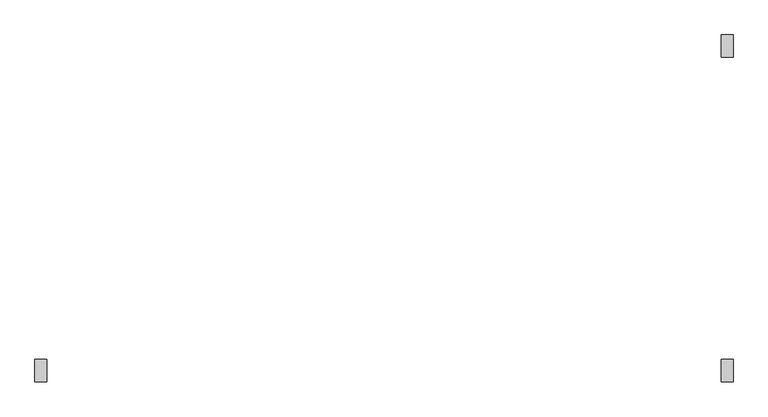
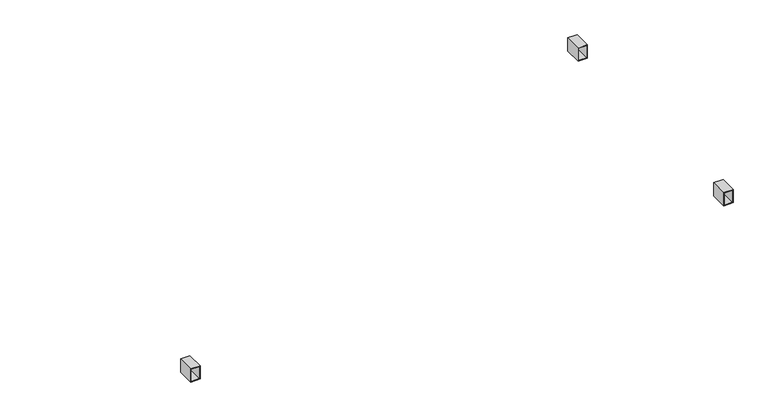
"""IFC4 building model written with IfcOpenShell, lengths in millimetres: beam geometry."""

import ifcopenshell
import ifcopenshell.guid

model = None  # the IFC model being written
_history = None  # IfcOwnerHistory: only IFC2X3 demands one
_inside = {}  # id of a spatial element -> (the spatial element, [elements in it])
_under = {}  # id of a project, library or spatial element -> (it, [spatial elements below it])
_declared = {}  # id of a project -> (the project, [libraries it declares])
_typed = {}  # id of a type object -> (the type object, [elements of that type])
_made_of = {}  # id of a material, layer set ... -> (it, [elements and type objects made of it])


def new_model(schema):
    """Start an empty IFC model of exactly this schema.

    Asked for "IFC4X3", IfcOpenShell would pick the latest addendum, in which some entities
    have other attributes; the version numbers below select the first issue.
    IFC2X3 requires an IfcOwnerHistory on every rooted entity: one is made here for all.
    """
    global model, _history
    if schema == "IFC4X3":
        model = ifcopenshell.file(schema_version=(4, 3, 0, 0))
    else:
        model = ifcopenshell.file(schema=schema)
    _inside.clear()
    _under.clear()
    _declared.clear()
    _typed.clear()
    _made_of.clear()
    _history = None
    if model.schema == "IFC2X3":
        org = make("IfcOrganization", Name="unknown")
        user = make(
            "IfcPersonAndOrganization",
            ThePerson=make("IfcPerson", FamilyName="unknown"),
            TheOrganization=org,
        )
        app = make(
            "IfcApplication",
            ApplicationDeveloper=org,
            Version="unknown",
            ApplicationFullName="unknown",
            ApplicationIdentifier="unknown",
        )
        _history = make(
            "IfcOwnerHistory",
            OwningUser=user,
            OwningApplication=app,
            ChangeAction="ADDED",
            CreationDate=0,
        )
    return model


def make(cls, **values):
    """One entity of the class cls with the attributes given. An attribute that is None is left unset."""
    return model.create_entity(
        cls, **{name: value for name, value in values.items() if value is not None}
    )


def rooted(cls, **values):
    """An entity with a GlobalId (a new one), such as an element, a storey or a relation."""
    return make(cls, GlobalId=ifcopenshell.guid.new(), OwnerHistory=_history, **values)


def si_unit(unit_type, name, prefix=None):
    """IfcSIUnit, for example si_unit("LENGTHUNIT", "METRE", prefix="MILLI")."""
    return make("IfcSIUnit", UnitType=unit_type, Prefix=prefix, Name=name)


def assignment(units):
    """IfcUnitAssignment: the units of a project."""
    return None if units is None else make("IfcUnitAssignment", Units=units)


def point(xyz):
    """IfcCartesianPoint."""
    return None if xyz is None else make("IfcCartesianPoint", Coordinates=xyz)


def direction(xyz):
    """IfcDirection."""
    return None if xyz is None else make("IfcDirection", DirectionRatios=xyz)


def frame(location, z_axis=None, x_axis=None):
    """IfcAxis2Placement3D, a coordinate frame: its origin and axes. An axis left out is left unset."""
    return make(
        "IfcAxis2Placement3D",
        Location=point(location),
        Axis=direction(z_axis),
        RefDirection=direction(x_axis),
    )


def origin():
    """The frame at (0, 0, 0) with its axes left unset."""
    return frame((0.0, 0.0, 0.0))


def place(relative_to, where):
    """IfcLocalPlacement: puts the frame where relative to a parent placement (None: the world)."""
    return make(
        "IfcLocalPlacement", PlacementRelTo=relative_to, RelativePlacement=where
    )


def context(
    kind, dimensions, precision=None, world=None, true_north=None, identifier=None
):
    """IfcGeometricRepresentationContext, for example the 3D "Model" context."""
    return make(
        "IfcGeometricRepresentationContext",
        ContextIdentifier=identifier,
        ContextType=kind,
        CoordinateSpaceDimension=dimensions,
        Precision=precision,
        WorldCoordinateSystem=world,
        TrueNorth=true_north,
    )


def project(units=None, contexts=None):
    """IfcProject with its units and contexts."""
    return rooted(
        "IfcProject",
        Name="project",
        RepresentationContexts=contexts,
        UnitsInContext=assignment(units),
    )


def spatial(cls, under=None, at=None, **own):
    """A site, building, storey or space (cls), placed at a placement, below another one or the project."""
    s = rooted(cls, ObjectPlacement=at, **own)
    if under is not None:
        _under.setdefault(under.id(), (under, []))[1].append(s)
    return s


def polyline(points):
    """IfcPolyline through the points."""
    return make("IfcPolyline", Points=[point(p) for p in points])


def outline(outer, holes=None, kind="AREA"):
    """IfcArbitraryClosedProfileDef: a profile drawn as a closed curve; with holes, ...WithVoids."""
    if holes is None:
        return make("IfcArbitraryClosedProfileDef", ProfileType=kind, OuterCurve=outer)
    return make(
        "IfcArbitraryProfileDefWithVoids",
        ProfileType=kind,
        OuterCurve=outer,
        InnerCurves=holes,
    )


def extrude(swept, where, along, depth):
    """IfcExtrudedAreaSolid: the profile swept, set in the frame where, extruded along a direction by depth."""
    return make(
        "IfcExtrudedAreaSolid",
        SweptArea=swept,
        Position=where,
        ExtrudedDirection=direction(along),
        Depth=depth,
    )


def shape(context_of_items, identifier, shape_type, items):
    """IfcShapeRepresentation: the items that make up one representation, for example the "Body"."""
    return make(
        "IfcShapeRepresentation",
        ContextOfItems=context_of_items,
        RepresentationIdentifier=identifier,
        RepresentationType=shape_type,
        Items=items,
    )


def source(mapping_origin, context_of_items, identifier, shape_type, items):
    """IfcRepresentationMap: a shape defined once, which mapped items show again and again."""
    return make(
        "IfcRepresentationMap",
        MappingOrigin=mapping_origin,
        MappedRepresentation=shape(context_of_items, identifier, shape_type, items),
    )


def transform(
    local_origin,
    x_axis=None,
    y_axis=None,
    z_axis=None,
    scale=None,
    scale2=None,
    scale3=None,
    uniform=True,
):
    """IfcCartesianTransformationOperator3D, or its non-uniform kind. x_axis, y_axis, z_axis: its Axis1, 2, 3."""
    if uniform:
        return make(
            "IfcCartesianTransformationOperator3D",
            Axis1=direction(x_axis),
            Axis2=direction(y_axis),
            LocalOrigin=point(local_origin),
            Scale=scale,
            Axis3=direction(z_axis),
        )
    return make(
        "IfcCartesianTransformationOperator3DnonUniform",
        Axis1=direction(x_axis),
        Axis2=direction(y_axis),
        LocalOrigin=point(local_origin),
        Scale=scale,
        Axis3=direction(z_axis),
        Scale2=scale2,
        Scale3=scale3,
    )


def mapped(mapping_source, mapping_target):
    """IfcMappedItem: shows the shape of a source again, moved by a transform."""
    return make(
        "IfcMappedItem", MappingSource=mapping_source, MappingTarget=mapping_target
    )


def made_of(thing, what):
    """Note that an element or type object is made of a material, layer set ...; save() writes the relation."""
    if what is not None:
        _made_of.setdefault(what.id(), (what, []))[1].append(thing)
    return thing


def element(
    cls,
    number,
    at=None,
    inside=None,
    cuts=None,
    type_object=None,
    material=None,
    context=None,
    identifier="Body",
    shape_type=None,
    held_by="IfcProductDefinitionShape",
    body=None,
    shapes=None,
    **own,
):
    """One element of the class cls, such as IfcWall. Its Tag is "e" and its number.

    at: its placement. inside: the storey or other place that contains it. cuts: it is an
    opening in that element (IfcRelVoidsElement). A single representation is given by context,
    identifier, shape_type and body (its items); several are given by shapes. held_by: the class
    of the entity that holds the representations. save() writes the other relations.
    """
    e = rooted(cls, Tag="e%d" % number, ObjectPlacement=at, **own)
    if body is not None:
        shapes = [shape(context, identifier, shape_type, body)]
    if shapes is not None:
        e.Representation = make(held_by, Representations=shapes)
    if inside is not None:
        _inside.setdefault(inside.id(), (inside, []))[1].append(e)
    if cuts is not None:
        rooted(
            "IfcRelVoidsElement", RelatingBuildingElement=cuts, RelatedOpeningElement=e
        )
    if type_object is not None:
        _typed.setdefault(type_object.id(), (type_object, []))[1].append(e)
    return made_of(e, material)


def aggregate(whole, parts):
    """IfcRelAggregates: a whole, such as a stair, and the parts it consists of."""
    return rooted("IfcRelAggregates", RelatingObject=whole, RelatedObjects=parts)


def save(model, path):
    """Write the relations noted so far, then the file.

    IfcRelAggregates (storeys below a building ...), IfcRelContainedInSpatialStructure (elements
    in a storey), IfcRelDefinesByType, IfcRelAssociatesMaterial and IfcRelDeclares: one each for
    every whole, place, type object, material and project.
    """
    for whole, parts in _under.values():
        aggregate(whole, parts)
    for where, things in _inside.values():
        rooted(
            "IfcRelContainedInSpatialStructure",
            RelatedElements=things,
            RelatingStructure=where,
        )
    for kind, things in _typed.values():
        rooted("IfcRelDefinesByType", RelatedObjects=things, RelatingType=kind)
    for what, things in _made_of.values():
        rooted("IfcRelAssociatesMaterial", RelatedObjects=things, RelatingMaterial=what)
    for by, libraries in _declared.values():
        rooted("IfcRelDeclares", RelatingContext=by, RelatedDefinitions=libraries)
    model.write(path)


def beam_fd8036f5(model_context):
    return source(origin(), model_context, "Body", "SweptSolid", [
        extrude(outline(polyline([(340.0, 1165.6464531), (340.0, 1125.6464531), (280.0, 1125.6464531), (280.0, 1165.6464531), (340.0, 1165.6464531)]), holes=[polyline([(336.8, 1162.4464531), (283.2, 1162.4464531), (283.2, 1128.8464531), (336.8, 1128.8464531), (336.8, 1162.4464531)])]), frame((0.0, 505.0, 0.0), z_axis=(0.0, 1.0, 0.0), x_axis=(0.0, 0.0, 1.0)), (0.0, 0.0, 1.0), 75.0),
        extrude(outline(polyline([(340.0, 1165.6464531), (340.0, 1125.6464531), (280.0, 1125.6464531), (280.0, 1165.6464531), (340.0, 1165.6464531)]), holes=[polyline([(336.8, 1162.4464531), (283.2, 1162.4464531), (283.2, 1128.8464531), (336.8, 1128.8464531), (336.8, 1162.4464531)])]), frame((0.0, -580.0, 0.0), z_axis=(0.0, 1.0, 0.0), x_axis=(0.0, 0.0, 1.0)), (0.0, 0.0, 1.0), 75.0),
        extrude(outline(polyline([(340.0, -1125.0583524), (340.0, -1165.0583524), (280.0, -1165.0583524), (280.0, -1125.0583524), (340.0, -1125.0583524)]), holes=[polyline([(336.8, -1128.0583524), (283.2, -1128.0583524), (283.2, -1162.0583524), (336.8, -1162.0583524), (336.8, -1128.0583524)])]), frame((0.0, -580.0, 0.0), z_axis=(0.0, 1.0, 0.0), x_axis=(0.0, 0.0, 1.0)), (0.0, 0.0, 1.0), 75.0),
    ])


if __name__ == "__main__":
    model = new_model("IFC4")
    model_context = context("Model", 3, world=origin())
    ifc_project = project(units=[si_unit("LENGTHUNIT", "METRE", prefix="MILLI")], contexts=[model_context])
    site = spatial("IfcSite", under=ifc_project)
    building = spatial("IfcBuilding", under=site)
    placement = place(None, origin())
    beam_shape = beam_fd8036f5(model_context)
    element("IfcBeam", 1, at=placement, inside=building, context=model_context, shape_type="MappedRepresentation", body=[
        mapped(beam_shape, transform((0.0, 0.0, 0.0), x_axis=(1.0, 0.0, 0.0), y_axis=(0.0, 1.0, 0.0), z_axis=(0.0, 0.0, 1.0))),
    ])
    save(model, "model.ifc")
